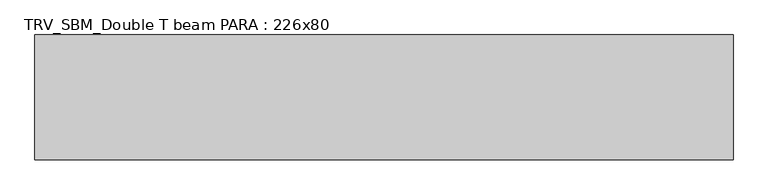
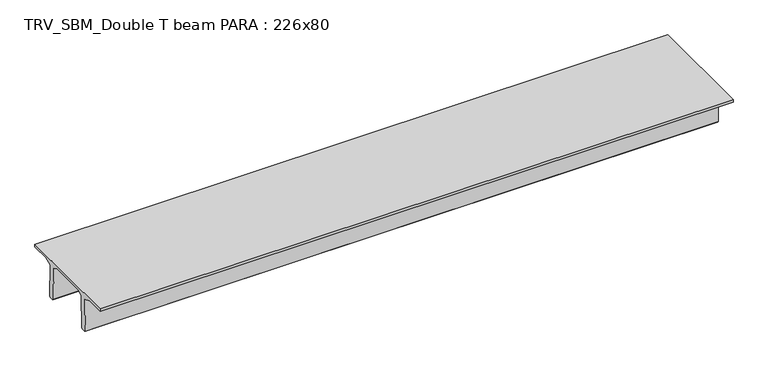
"""IFC4 building model written with IfcOpenShell, lengths in millimetres: beam geometry, TRV_SBM_Double T beam PARA : 226x80."""

from ifc_helpers import new_model, si_unit, frame, origin, place, context, project, spatial, polyline, outline, extrude, source, transform, mapped, element, save


def trv_sbm_double_t_beam_para_226x80_d5887326(model_context):
    return source(origin(), model_context, "Body", "SweptSolid", [
        extrude(outline(polyline([(352.1399239, 205.988519), (-382.1399239, 205.988519), (-485.0, 144.18395), (-501.9262559, -520.5206011), (-521.4056548, -540.0), (-611.4056548, -540.0), (-631.9887932, -520.5206011), (-615.2025683, 140.6523122), (-776.9153545, 205.988519), (-1145.0, 205.988519), (-1145.0, 260.0), (1115.0, 260.0), (1115.0, 205.988519), (746.9153545, 205.988519), (585.2025683, 140.6523122), (601.9887932, -520.5206011), (581.4056548, -540.0), (491.4056548, -540.0), (471.9262559, -520.5206011), (455.0, 144.18395), (352.1399239, 205.988519)])), frame((-6345.0, 0.0, 0.0), z_axis=(1.0, 0.0, 0.0), x_axis=(0.0, 1.0, 0.0)), (0.0, 0.0, 1.0), 12655.9062685),
    ])


if __name__ == "__main__":
    model = new_model("IFC4")
    model_context = context("Model", 3, world=origin())
    ifc_project = project(units=[si_unit("LENGTHUNIT", "METRE", prefix="MILLI")], contexts=[model_context])
    site = spatial("IfcSite", under=ifc_project)
    building = spatial("IfcBuilding", under=site)
    placement = place(None, origin())
    trv_sbm_double_t_beam_para_226x80_shape = trv_sbm_double_t_beam_para_226x80_d5887326(model_context)
    element("IfcBeam", 1, ObjectType="TRV_SBM_Double T beam PARA : 226x80", at=placement, inside=building, context=model_context, shape_type="MappedRepresentation", body=[
        mapped(trv_sbm_double_t_beam_para_226x80_shape, transform((0.0, 0.0, 0.0), x_axis=(1.0, 0.0, 0.0), y_axis=(0.0, 1.0, 0.0), z_axis=(0.0, 0.0, 1.0))),
    ])
    save(model, "model.ifc")
